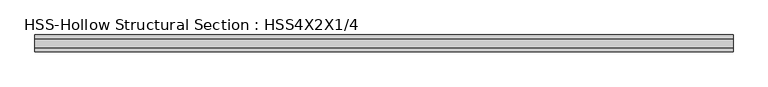
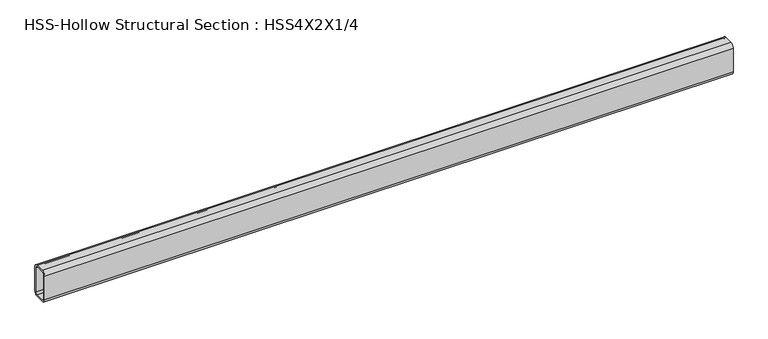
"""IFC4 building model written with IfcOpenShell, lengths in millimetres: beam geometry, HSS-Hollow Structural Section : HSS4X2X1/4."""

from ifc_helpers import new_model, si_unit, point, frame, frame_2d, origin, place, context, project, spatial, polyline, circle_curve, trimmed, segment, composite_curve, outline, extrude, source, transform, mapped, element, save


def hss_hollow_structural_section_hss4x2x1_4_5eea6321(model_context):
    return source(origin(), model_context, "Body", "SweptSolid", [
        extrude(outline(composite_curve([segment(polyline([(25.4, 38.9636), (25.4, -38.9636)]), True, "CONTINUOUS"), segment(trimmed(circle_curve(frame_2d((13.5636, -38.9636)), 11.8364), [point((25.4, -38.9636))], [point((13.5636, -50.8))], False, "CARTESIAN"), True, "CONTINUOUS"), segment(polyline([(13.5636, -50.8), (-13.5636, -50.8)]), True, "CONTINUOUS"), segment(trimmed(circle_curve(frame_2d((-13.5636, -38.9636)), 11.8364), [point((-13.5636, -50.8))], [point((-25.4, -38.9636))], False, "CARTESIAN"), True, "CONTINUOUS"), segment(polyline([(-25.4, -38.9636), (-25.4, 38.9636)]), True, "CONTINUOUS"), segment(trimmed(circle_curve(frame_2d((-13.5636, 38.9636)), 11.8364), [point((-25.4, 38.9636))], [point((-13.5636, 50.8))], False, "CARTESIAN"), True, "CONTINUOUS"), segment(polyline([(-13.5636, 50.8), (13.5636, 50.8)]), True, "CONTINUOUS"), segment(trimmed(circle_curve(frame_2d((13.5636, 38.9636)), 11.8364), [point((13.5636, 50.8))], [point((25.4, 38.9636))], False, "CARTESIAN"), True, "CONTINUOUS")], self_intersect=False), holes=[composite_curve([segment(trimmed(circle_curve(frame_2d((-13.5636, 38.9636)), 5.9182), [point((-13.5636, 44.8818))], [point((-19.4818, 38.9636))], True, "CARTESIAN"), True, "CONTINUOUS"), segment(polyline([(-19.4818, 38.9636), (-19.4818, -38.9636)]), True, "CONTINUOUS"), segment(trimmed(circle_curve(frame_2d((-13.5636, -38.9636)), 5.9182), [point((-19.4818, -38.9636))], [point((-13.5636, -44.8818))], True, "CARTESIAN"), True, "CONTINUOUS"), segment(polyline([(-13.5636, -44.8818), (13.5636, -44.8818)]), True, "CONTINUOUS"), segment(trimmed(circle_curve(frame_2d((13.5636, -38.9636)), 5.9182), [point((13.5636, -44.8818))], [point((19.4818, -38.9636))], True, "CARTESIAN"), True, "CONTINUOUS"), segment(polyline([(19.4818, -38.9636), (19.4818, 38.9636)]), True, "CONTINUOUS"), segment(trimmed(circle_curve(frame_2d((13.5636, 38.9636)), 5.9182), [point((19.4818, 38.9636))], [point((13.5636, 44.8818))], True, "CARTESIAN"), True, "CONTINUOUS"), segment(polyline([(13.5636, 44.8818), (-13.5636, 44.8818)]), True, "CONTINUOUS")], self_intersect=False)]), frame((-1060.3230146, 0.0, 0.0), z_axis=(1.0, 0.0, 0.0), x_axis=(0.0, 1.0, 0.0)), (0.0, 0.0, 1.0), 2120.6460292),
    ])


if __name__ == "__main__":
    model = new_model("IFC4")
    model_context = context("Model", 3, world=origin())
    ifc_project = project(units=[si_unit("LENGTHUNIT", "METRE", prefix="MILLI")], contexts=[model_context])
    site = spatial("IfcSite", under=ifc_project)
    building = spatial("IfcBuilding", under=site)
    placement = place(None, origin())
    hss_hollow_structural_section_hss4x2x1_4_shape = hss_hollow_structural_section_hss4x2x1_4_5eea6321(model_context)
    element("IfcBeam", 1, ObjectType="HSS-Hollow Structural Section : HSS4X2X1/4", at=placement, inside=building, context=model_context, shape_type="MappedRepresentation", body=[
        mapped(hss_hollow_structural_section_hss4x2x1_4_shape, transform((0.0, 0.0, 0.0), x_axis=(1.0, 0.0, 0.0), y_axis=(0.0, 1.0, 0.0), z_axis=(0.0, 0.0, 1.0))),
    ])
    save(model, "model.ifc")
